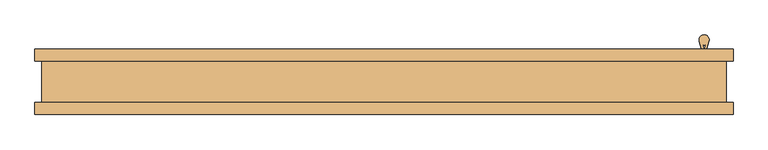
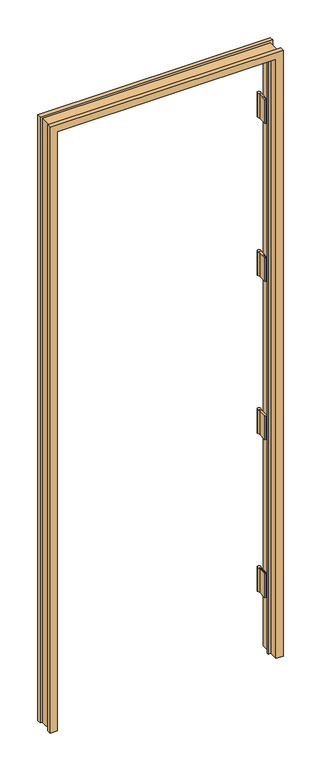
"""IFC4 building model written with IfcOpenShell, lengths in millimetres: door geometry."""

from ifc_helpers import new_model, si_unit, point, frame, frame_2d, origin, place, context, project, spatial, polyline, circle_curve, trimmed, segment, composite_curve, outline, extrude, faceted_brep, source, transform, mapped, element, save


def door_117287e5(model_context):
    return source(origin(), model_context, "Body", "SolidModel", [
        faceted_brep([(-498.6782, 50.0254003, 0.0), (-498.6782, -2.5906997, 0.0), (-485.7242, -2.5906997, 0.0), (-485.7242, -10.8710997, 0.0), (-498.6782, -10.8710997, 0.0), (-498.6782, -50.0254003, 0.0), (-531.3172, -50.0254003, 0.0), (-531.3172, -31.4833003, 0.0), (-520.7, -31.4833003, 0.0), (-520.7, 31.4833003, 0.0), (-531.3172, 31.4833003, 0.0), (-531.3172, 50.0254003, 0.0), (498.6782, 50.0254003, 0.0), (531.3172, 50.0254003, 0.0), (531.3172, 31.4833003, 0.0), (520.7, 31.4833003, 0.0), (520.7, -31.4833003, 0.0), (531.3172, -31.4833003, 0.0), (531.3172, -50.0254003, 0.0), (498.6782, -50.0254003, 0.0), (498.6782, -10.8710997, 0.0), (485.7242, -10.8710997, 0.0), (485.7242, -2.5906997, 0.0), (498.6782, -2.5906997, 0.0), (-498.6782, 50.0254003, 2891.1475997), (-498.6782, -2.5906997, 2891.1475997), (498.6782, -2.5906997, 2891.1475997), (485.7242, -2.5906997, 2878.1935997), (-485.7242, -2.5906997, 2878.1935997), (-485.7242, -10.8710997, 2878.1935997), (485.7242, -10.8710997, 2878.1935997), (498.6782, -10.8710997, 2891.1475997), (-498.6782, -10.8710997, 2891.1475997), (-498.6782, -50.0254003, 2891.1475997), (498.6782, -50.0254003, 2891.1475997), (531.3172, -50.0254003, 2923.7865997), (-531.3172, -50.0254003, 2923.7865997), (-531.3172, -31.4833003, 2923.7865997), (531.3172, -31.4833003, 2923.7865997), (520.7, -31.4833003, 2913.1693997), (-520.7, -31.4833003, 2913.1693997), (-520.7, 31.4833003, 2913.1693997), (520.7, 31.4833003, 2913.1693997), (531.3172, 31.4833003, 2923.7865997), (-531.3172, 31.4833003, 2923.7865997), (-531.3172, 50.0254003, 2923.7865997), (531.3172, 50.0254003, 2923.7865997), (498.6782, 50.0254003, 2891.1475997)], [[[0, 1, 2, 3, 4, 5, 6, 7, 8, 9, 10, 11]], [[12, 13, 14, 15, 16, 17, 18, 19, 20, 21, 22, 23]], [[1, 0, 24, 25]], [[2, 1, 25, 26, 23, 22, 27, 28]], [[3, 2, 28, 29]], [[4, 3, 29, 30, 21, 20, 31, 32]], [[5, 4, 32, 33]], [[6, 5, 33, 34, 19, 18, 35, 36]], [[7, 6, 36, 37]], [[8, 7, 37, 38, 17, 16, 39, 40]], [[9, 8, 40, 41]], [[10, 9, 41, 42, 15, 14, 43, 44]], [[11, 10, 44, 45]], [[0, 11, 45, 46, 13, 12, 47, 24]], [[25, 24, 47, 26]], [[29, 28, 27, 30]], [[33, 32, 31, 34]], [[37, 36, 35, 38]], [[41, 40, 39, 42]], [[45, 44, 43, 46]], [[26, 47, 12, 23]], [[30, 27, 22, 21]], [[34, 31, 20, 19]], [[38, 35, 18, 17]], [[42, 39, 16, 15]], [[46, 43, 14, 13]]]),
        extrude(outline(composite_curve([segment(polyline([(483.0699, 51.4224003), (479.9105892, 61.9052592)]), True, "CONTINUOUS"), segment(trimmed(circle_curve(frame_2d((487.26725, 64.1224003)), 7.6835), [point((479.9105892, 61.9052592))], [point((494.6239108, 61.9052592))], False, "CARTESIAN"), True, "CONTINUOUS"), segment(polyline([(494.6239108, 61.9052592), (491.4646, 51.4224003), (491.4646, 10.1474003), (488.061, 10.1474003), (488.061, 51.9241411), (489.5237659, 56.7777214)]), True, "CONTINUOUS"), segment(trimmed(circle_curve(frame_2d((487.26725, 64.1224003)), 7.6835), [point((489.5237659, 56.7777214))], [point((485.0107341, 56.7777214))], False, "CARTESIAN"), True, "CONTINUOUS"), segment(polyline([(485.0107341, 56.7777214), (486.4735, 51.9241411), (486.4735, 10.1474003), (483.0699, 10.1474003), (483.0699, 51.4224003)]), True, "CONTINUOUS")], self_intersect=False)), frame((0.0, 0.0, 1025.0214025), z_axis=(0.0, 0.0, 1.0), x_axis=(1.0, 0.0, 0.0)), (0.0, 0.0, 1.0), 114.3),
        extrude(outline(composite_curve([segment(polyline([(483.0699, 51.4224003), (479.9105892, 61.9052592)]), True, "CONTINUOUS"), segment(trimmed(circle_curve(frame_2d((487.26725, 64.1224003)), 7.6835), [point((479.9105892, 61.9052592))], [point((494.6239108, 61.9052592))], False, "CARTESIAN"), True, "CONTINUOUS"), segment(polyline([(494.6239108, 61.9052592), (491.4646, 51.4224003), (491.4646, 10.1474003), (488.061, 10.1474003), (488.061, 51.9241411), (489.5237659, 56.7777214)]), True, "CONTINUOUS"), segment(trimmed(circle_curve(frame_2d((487.26725, 64.1224003)), 7.6835), [point((489.5237659, 56.7777214))], [point((485.0107341, 56.7777214))], False, "CARTESIAN"), True, "CONTINUOUS"), segment(polyline([(485.0107341, 56.7777214), (486.4735, 51.9241411), (486.4735, 10.1474003), (483.0699, 10.1474003), (483.0699, 51.4224003)]), True, "CONTINUOUS")], self_intersect=False)), frame((0.0, 0.0, 1788.0502763), z_axis=(0.0, 0.0, 1.0), x_axis=(1.0, 0.0, 0.0)), (0.0, 0.0, 1.0), 114.3),
        extrude(outline(composite_curve([segment(polyline([(483.0699, 51.4224003), (479.9105892, 61.9052592)]), True, "CONTINUOUS"), segment(trimmed(circle_curve(frame_2d((487.26725, 64.1224003)), 7.6835), [point((479.9105892, 61.9052592))], [point((494.6239108, 61.9052592))], False, "CARTESIAN"), True, "CONTINUOUS"), segment(polyline([(494.6239108, 61.9052592), (491.4646, 51.4224003), (491.4646, 10.1474003), (488.061, 10.1474003), (488.061, 51.9241411), (489.5237659, 56.7777214)]), True, "CONTINUOUS"), segment(trimmed(circle_curve(frame_2d((487.26725, 64.1224003)), 7.6835), [point((489.5237659, 56.7777214))], [point((485.0107341, 56.7777214))], False, "CARTESIAN"), True, "CONTINUOUS"), segment(polyline([(485.0107341, 56.7777214), (486.4735, 51.9241411), (486.4735, 10.1474003), (483.0699, 10.1474003), (483.0699, 51.4224003)]), True, "CONTINUOUS")], self_intersect=False)), frame((0.0, 0.0, 261.90585), z_axis=(0.0, 0.0, 1.0), x_axis=(1.0, 0.0, 0.0)), (0.0, 0.0, 1.0), 114.3),
        extrude(outline(composite_curve([segment(polyline([(483.0699, 51.4224003), (479.9105892, 61.9052592)]), True, "CONTINUOUS"), segment(trimmed(circle_curve(frame_2d((487.26725, 64.1224003)), 7.6835), [point((479.9105892, 61.9052592))], [point((494.6239108, 61.9052592))], False, "CARTESIAN"), True, "CONTINUOUS"), segment(polyline([(494.6239108, 61.9052592), (491.4646, 51.4224003), (491.4646, 10.1474003), (488.061, 10.1474003), (488.061, 51.9241411), (489.5237659, 56.7777214)]), True, "CONTINUOUS"), segment(trimmed(circle_curve(frame_2d((487.26725, 64.1224003)), 7.6835), [point((489.5237659, 56.7777214))], [point((485.0107341, 56.7777214))], False, "CARTESIAN"), True, "CONTINUOUS"), segment(polyline([(485.0107341, 56.7777214), (486.4735, 51.9241411), (486.4735, 10.1474003), (483.0699, 10.1474003), (483.0699, 51.4224003)]), True, "CONTINUOUS")], self_intersect=False)), frame((0.0, 0.0, 2551.1506), z_axis=(0.0, 0.0, 1.0), x_axis=(1.0, 0.0, 0.0)), (0.0, 0.0, 1.0), 114.3),
    ])


if __name__ == "__main__":
    model = new_model("IFC4")
    model_context = context("Model", 3, world=origin())
    ifc_project = project(units=[si_unit("LENGTHUNIT", "METRE", prefix="MILLI")], contexts=[model_context])
    site = spatial("IfcSite", under=ifc_project)
    building = spatial("IfcBuilding", under=site)
    placement = place(None, origin())
    door_shape = door_117287e5(model_context)
    element("IfcDoor", 1, at=placement, inside=building, context=model_context, shape_type="MappedRepresentation", body=[
        mapped(door_shape, transform((0.0, 0.0, 0.0), x_axis=(1.0, 0.0, 0.0), y_axis=(0.0, 1.0, 0.0), z_axis=(0.0, 0.0, 1.0))),
    ])
    save(model, "model.ifc")
